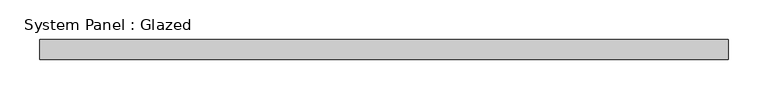
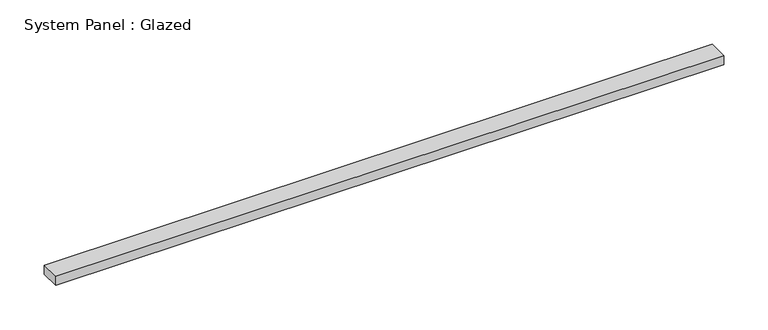
"""IFC4 building model written with IfcOpenShell, lengths in millimetres: plate geometry, System Panel : Glazed."""

from ifc_helpers import new_model, si_unit, origin, origin_with_axes, place, context, project, spatial, polyline, outline, extrude, source, transform, mapped, element, save


def system_panel_glazed_a7678ba7(model_context):
    return source(origin(), model_context, "Body", "SweptSolid", [
        extrude(outline(polyline([(434.975, 19.05), (-434.975, 19.05), (-434.975, 44.45), (434.975, 44.45), (434.975, 19.05)])), origin_with_axes(), (0.0, 0.0, 1.0), 12.7),
    ])


if __name__ == "__main__":
    model = new_model("IFC4")
    model_context = context("Model", 3, world=origin())
    ifc_project = project(units=[si_unit("LENGTHUNIT", "METRE", prefix="MILLI")], contexts=[model_context])
    site = spatial("IfcSite", under=ifc_project)
    building = spatial("IfcBuilding", under=site)
    placement = place(None, origin())
    system_panel_glazed_shape = system_panel_glazed_a7678ba7(model_context)
    element("IfcPlate", 1, ObjectType="System Panel : Glazed", at=placement, inside=building, context=model_context, shape_type="MappedRepresentation", body=[
        mapped(system_panel_glazed_shape, transform((0.0, 0.0, 0.0), x_axis=(1.0, 0.0, 0.0), y_axis=(0.0, 1.0, 0.0), z_axis=(0.0, 0.0, 1.0))),
    ])
    save(model, "model.ifc")
